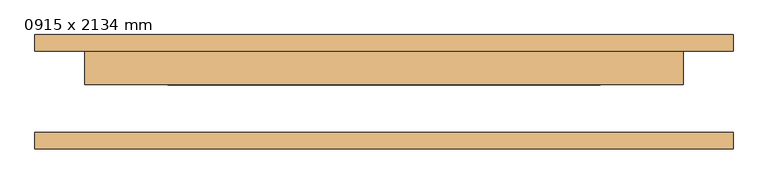
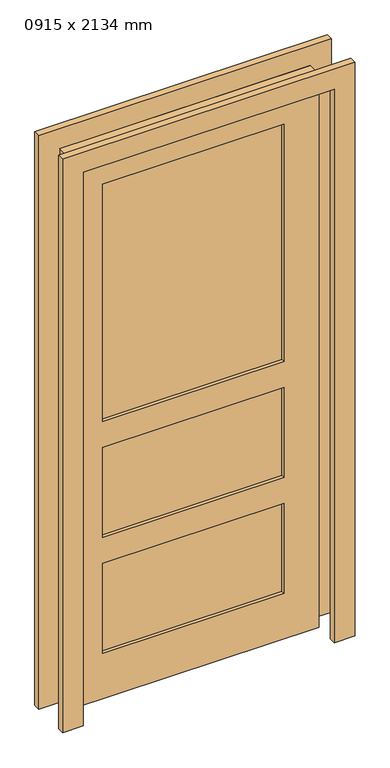
"""IFC4 building model written with IfcOpenShell, lengths in millimetres: door geometry, 0915 x 2134 mm."""

import ifcopenshell
import ifcopenshell.guid

model = None  # the IFC model being written
_history = None  # IfcOwnerHistory: only IFC2X3 demands one
_inside = {}  # id of a spatial element -> (the spatial element, [elements in it])
_under = {}  # id of a project, library or spatial element -> (it, [spatial elements below it])
_declared = {}  # id of a project -> (the project, [libraries it declares])
_typed = {}  # id of a type object -> (the type object, [elements of that type])
_made_of = {}  # id of a material, layer set ... -> (it, [elements and type objects made of it])


def new_model(schema):
    """Start an empty IFC model of exactly this schema.

    Asked for "IFC4X3", IfcOpenShell would pick the latest addendum, in which some entities
    have other attributes; the version numbers below select the first issue.
    IFC2X3 requires an IfcOwnerHistory on every rooted entity: one is made here for all.
    """
    global model, _history
    if schema == "IFC4X3":
        model = ifcopenshell.file(schema_version=(4, 3, 0, 0))
    else:
        model = ifcopenshell.file(schema=schema)
    _inside.clear()
    _under.clear()
    _declared.clear()
    _typed.clear()
    _made_of.clear()
    _history = None
    if model.schema == "IFC2X3":
        org = make("IfcOrganization", Name="unknown")
        user = make(
            "IfcPersonAndOrganization",
            ThePerson=make("IfcPerson", FamilyName="unknown"),
            TheOrganization=org,
        )
        app = make(
            "IfcApplication",
            ApplicationDeveloper=org,
            Version="unknown",
            ApplicationFullName="unknown",
            ApplicationIdentifier="unknown",
        )
        _history = make(
            "IfcOwnerHistory",
            OwningUser=user,
            OwningApplication=app,
            ChangeAction="ADDED",
            CreationDate=0,
        )
    return model


def make(cls, **values):
    """One entity of the class cls with the attributes given. An attribute that is None is left unset."""
    return model.create_entity(
        cls, **{name: value for name, value in values.items() if value is not None}
    )


def rooted(cls, **values):
    """An entity with a GlobalId (a new one), such as an element, a storey or a relation."""
    return make(cls, GlobalId=ifcopenshell.guid.new(), OwnerHistory=_history, **values)


def si_unit(unit_type, name, prefix=None):
    """IfcSIUnit, for example si_unit("LENGTHUNIT", "METRE", prefix="MILLI")."""
    return make("IfcSIUnit", UnitType=unit_type, Prefix=prefix, Name=name)


def assignment(units):
    """IfcUnitAssignment: the units of a project."""
    return None if units is None else make("IfcUnitAssignment", Units=units)


def point(xyz):
    """IfcCartesianPoint."""
    return None if xyz is None else make("IfcCartesianPoint", Coordinates=xyz)


def direction(xyz):
    """IfcDirection."""
    return None if xyz is None else make("IfcDirection", DirectionRatios=xyz)


def frame(location, z_axis=None, x_axis=None):
    """IfcAxis2Placement3D, a coordinate frame: its origin and axes. An axis left out is left unset."""
    return make(
        "IfcAxis2Placement3D",
        Location=point(location),
        Axis=direction(z_axis),
        RefDirection=direction(x_axis),
    )


def origin():
    """The frame at (0, 0, 0) with its axes left unset."""
    return frame((0.0, 0.0, 0.0))


def place(relative_to, where):
    """IfcLocalPlacement: puts the frame where relative to a parent placement (None: the world)."""
    return make(
        "IfcLocalPlacement", PlacementRelTo=relative_to, RelativePlacement=where
    )


def context(
    kind, dimensions, precision=None, world=None, true_north=None, identifier=None
):
    """IfcGeometricRepresentationContext, for example the 3D "Model" context."""
    return make(
        "IfcGeometricRepresentationContext",
        ContextIdentifier=identifier,
        ContextType=kind,
        CoordinateSpaceDimension=dimensions,
        Precision=precision,
        WorldCoordinateSystem=world,
        TrueNorth=true_north,
    )


def project(units=None, contexts=None):
    """IfcProject with its units and contexts."""
    return rooted(
        "IfcProject",
        Name="project",
        RepresentationContexts=contexts,
        UnitsInContext=assignment(units),
    )


def spatial(cls, under=None, at=None, **own):
    """A site, building, storey or space (cls), placed at a placement, below another one or the project."""
    s = rooted(cls, ObjectPlacement=at, **own)
    if under is not None:
        _under.setdefault(under.id(), (under, []))[1].append(s)
    return s


def polyline(points):
    """IfcPolyline through the points."""
    return make("IfcPolyline", Points=[point(p) for p in points])


def outline(outer, holes=None, kind="AREA"):
    """IfcArbitraryClosedProfileDef: a profile drawn as a closed curve; with holes, ...WithVoids."""
    if holes is None:
        return make("IfcArbitraryClosedProfileDef", ProfileType=kind, OuterCurve=outer)
    return make(
        "IfcArbitraryProfileDefWithVoids",
        ProfileType=kind,
        OuterCurve=outer,
        InnerCurves=holes,
    )


def extrude(swept, where, along, depth):
    """IfcExtrudedAreaSolid: the profile swept, set in the frame where, extruded along a direction by depth."""
    return make(
        "IfcExtrudedAreaSolid",
        SweptArea=swept,
        Position=where,
        ExtrudedDirection=direction(along),
        Depth=depth,
    )


def shape(context_of_items, identifier, shape_type, items):
    """IfcShapeRepresentation: the items that make up one representation, for example the "Body"."""
    return make(
        "IfcShapeRepresentation",
        ContextOfItems=context_of_items,
        RepresentationIdentifier=identifier,
        RepresentationType=shape_type,
        Items=items,
    )


def source(mapping_origin, context_of_items, identifier, shape_type, items):
    """IfcRepresentationMap: a shape defined once, which mapped items show again and again."""
    return make(
        "IfcRepresentationMap",
        MappingOrigin=mapping_origin,
        MappedRepresentation=shape(context_of_items, identifier, shape_type, items),
    )


def transform(
    local_origin,
    x_axis=None,
    y_axis=None,
    z_axis=None,
    scale=None,
    scale2=None,
    scale3=None,
    uniform=True,
):
    """IfcCartesianTransformationOperator3D, or its non-uniform kind. x_axis, y_axis, z_axis: its Axis1, 2, 3."""
    if uniform:
        return make(
            "IfcCartesianTransformationOperator3D",
            Axis1=direction(x_axis),
            Axis2=direction(y_axis),
            LocalOrigin=point(local_origin),
            Scale=scale,
            Axis3=direction(z_axis),
        )
    return make(
        "IfcCartesianTransformationOperator3DnonUniform",
        Axis1=direction(x_axis),
        Axis2=direction(y_axis),
        LocalOrigin=point(local_origin),
        Scale=scale,
        Axis3=direction(z_axis),
        Scale2=scale2,
        Scale3=scale3,
    )


def mapped(mapping_source, mapping_target):
    """IfcMappedItem: shows the shape of a source again, moved by a transform."""
    return make(
        "IfcMappedItem", MappingSource=mapping_source, MappingTarget=mapping_target
    )


def made_of(thing, what):
    """Note that an element or type object is made of a material, layer set ...; save() writes the relation."""
    if what is not None:
        _made_of.setdefault(what.id(), (what, []))[1].append(thing)
    return thing


def element(
    cls,
    number,
    at=None,
    inside=None,
    cuts=None,
    type_object=None,
    material=None,
    context=None,
    identifier="Body",
    shape_type=None,
    held_by="IfcProductDefinitionShape",
    body=None,
    shapes=None,
    **own,
):
    """One element of the class cls, such as IfcWall. Its Tag is "e" and its number.

    at: its placement. inside: the storey or other place that contains it. cuts: it is an
    opening in that element (IfcRelVoidsElement). A single representation is given by context,
    identifier, shape_type and body (its items); several are given by shapes. held_by: the class
    of the entity that holds the representations. save() writes the other relations.
    """
    e = rooted(cls, Tag="e%d" % number, ObjectPlacement=at, **own)
    if body is not None:
        shapes = [shape(context, identifier, shape_type, body)]
    if shapes is not None:
        e.Representation = make(held_by, Representations=shapes)
    if inside is not None:
        _inside.setdefault(inside.id(), (inside, []))[1].append(e)
    if cuts is not None:
        rooted(
            "IfcRelVoidsElement", RelatingBuildingElement=cuts, RelatedOpeningElement=e
        )
    if type_object is not None:
        _typed.setdefault(type_object.id(), (type_object, []))[1].append(e)
    return made_of(e, material)


def aggregate(whole, parts):
    """IfcRelAggregates: a whole, such as a stair, and the parts it consists of."""
    return rooted("IfcRelAggregates", RelatingObject=whole, RelatedObjects=parts)


def save(model, path):
    """Write the relations noted so far, then the file.

    IfcRelAggregates (storeys below a building ...), IfcRelContainedInSpatialStructure (elements
    in a storey), IfcRelDefinesByType, IfcRelAssociatesMaterial and IfcRelDeclares: one each for
    every whole, place, type object, material and project.
    """
    for whole, parts in _under.values():
        aggregate(whole, parts)
    for where, things in _inside.values():
        rooted(
            "IfcRelContainedInSpatialStructure",
            RelatedElements=things,
            RelatingStructure=where,
        )
    for kind, things in _typed.values():
        rooted("IfcRelDefinesByType", RelatedObjects=things, RelatingType=kind)
    for what, things in _made_of.values():
        rooted("IfcRelAssociatesMaterial", RelatedObjects=things, RelatingMaterial=what)
    for by, libraries in _declared.values():
        rooted("IfcRelDeclares", RelatingContext=by, RelatedDefinitions=libraries)
    model.write(path)


def door_0915_x_2134_mm_bdb509b0(model_context):
    return source(origin(), model_context, "Body", "SweptSolid", [
        extrude(outline(polyline([(0.0, -533.5), (0.0, -457.5), (2134.0, -457.5), (2134.0, 457.5), (0.0, 457.5), (0.0, 533.5), (2210.0, 533.5), (2210.0, -533.5), (0.0, -533.5)])), frame((0.0, -87.0, 0.0), z_axis=(0.0, 1.0, 0.0), x_axis=(0.0, 0.0, 1.0)), (0.0, 0.0, 1.0), 25.0),
        extrude(outline(polyline([(0.0, 533.5), (2210.0, 533.5), (2210.0, -533.5), (0.0, -533.5), (0.0, -457.5), (2134.0, -457.5), (2134.0, 457.5), (0.0, 457.5), (0.0, 533.5)])), frame((0.0, 62.4, 0.0), z_axis=(0.0, 1.0, 0.0), x_axis=(0.0, 0.0, 1.0)), (0.0, 0.0, 1.0), 25.0),
        extrude(outline(polyline([(330.5, 23.7), (-330.5, 23.7), (-330.5, 49.3), (330.5, 49.3), (330.5, 23.7)])), frame((0.0, 0.0, 1069.0), z_axis=(0.0, 0.0, 1.0), x_axis=(1.0, 0.0, 0.0)), (0.0, 0.0, 1.0), 915.0),
        extrude(outline(polyline([(330.5, 23.7), (-330.5, 23.7), (-330.5, 49.3), (330.5, 49.3), (330.5, 23.7)])), frame((0.0, 0.0, 622.0), z_axis=(0.0, 0.0, 1.0), x_axis=(1.0, 0.0, 0.0)), (0.0, 0.0, 1.0), 347.0),
        extrude(outline(polyline([(330.5, 23.7), (-330.5, 23.7), (-330.5, 49.3), (330.5, 49.3), (330.5, 23.7)])), frame((0.0, 0.0, 175.0), z_axis=(0.0, 0.0, 1.0), x_axis=(1.0, 0.0, 0.0)), (0.0, 0.0, 1.0), 347.0),
        extrude(outline(polyline([(2134.0, 457.5), (2134.0, -457.5), (0.0, -457.5), (0.0, 457.5), (2134.0, 457.5)]), holes=[polyline([(1069.0, 330.5), (1069.0, -330.5), (1984.0, -330.5), (1984.0, 330.5), (1069.0, 330.5)]), polyline([(622.0, 330.5), (622.0, -330.5), (969.0, -330.5), (969.0, 330.5), (622.0, 330.5)]), polyline([(522.0, 330.5), (175.0, 330.5), (175.0, -330.5), (522.0, -330.5), (522.0, 330.5)])]), frame((0.0, 11.0, 0.0), z_axis=(0.0, 1.0, 0.0), x_axis=(0.0, 0.0, 1.0)), (0.0, 0.0, 1.0), 51.0),
    ])


if __name__ == "__main__":
    model = new_model("IFC4")
    model_context = context("Model", 3, world=origin())
    ifc_project = project(units=[si_unit("LENGTHUNIT", "METRE", prefix="MILLI")], contexts=[model_context])
    site = spatial("IfcSite", under=ifc_project)
    building = spatial("IfcBuilding", under=site)
    placement = place(None, origin())
    door_0915_x_2134_mm_shape = door_0915_x_2134_mm_bdb509b0(model_context)
    element("IfcDoor", 1, ObjectType="0915 x 2134 mm", at=placement, inside=building, context=model_context, shape_type="MappedRepresentation", body=[
        mapped(door_0915_x_2134_mm_shape, transform((0.0, 0.0, 0.0), x_axis=(1.0, 0.0, 0.0), y_axis=(0.0, 1.0, 0.0), z_axis=(0.0, 0.0, 1.0))),
    ])
    save(model, "model.ifc")
